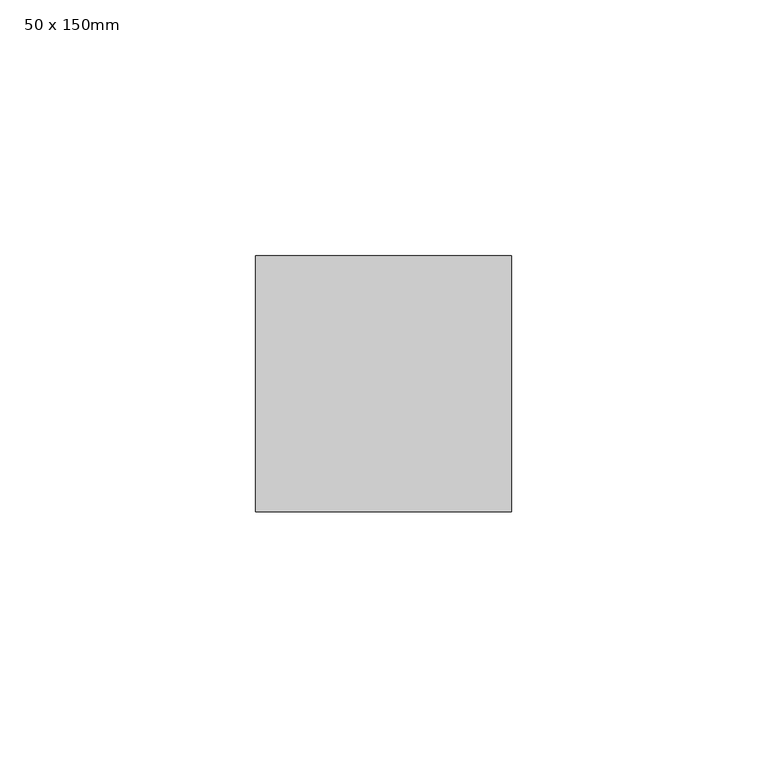
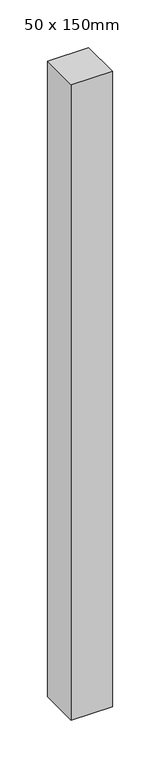
"""IFC4 building model written with IfcOpenShell, lengths in millimetres: member geometry, 50 x 150mm."""

from ifc_helpers import new_model, si_unit, frame, origin, place, context, project, spatial, polyline, outline, extrude, source, transform, mapped, element, save


def member_50_x_150mm_0a90397e(model_context):
    return source(origin(), model_context, "Body", "SweptSolid", [
        extrude(outline(polyline([(25.0, 25.0), (25.0, -25.0), (-25.0, -25.0), (-25.0, 25.0), (25.0, 25.0)])), frame((0.0, 0.0, -815.3627432), z_axis=(0.0, 0.0, 1.0), x_axis=(1.0, 0.0, 0.0)), (0.0, 0.0, 1.0), 815.3627432),
    ])


if __name__ == "__main__":
    model = new_model("IFC4")
    model_context = context("Model", 3, world=origin())
    ifc_project = project(units=[si_unit("LENGTHUNIT", "METRE", prefix="MILLI")], contexts=[model_context])
    site = spatial("IfcSite", under=ifc_project)
    building = spatial("IfcBuilding", under=site)
    placement = place(None, origin())
    member_50_x_150mm_shape = member_50_x_150mm_0a90397e(model_context)
    element("IfcMember", 1, ObjectType="50 x 150mm", at=placement, inside=building, context=model_context, shape_type="MappedRepresentation", body=[
        mapped(member_50_x_150mm_shape, transform((0.0, 0.0, 0.0), x_axis=(1.0, 0.0, 0.0), y_axis=(0.0, 1.0, 0.0), z_axis=(0.0, 0.0, 1.0))),
    ])
    save(model, "model.ifc")
